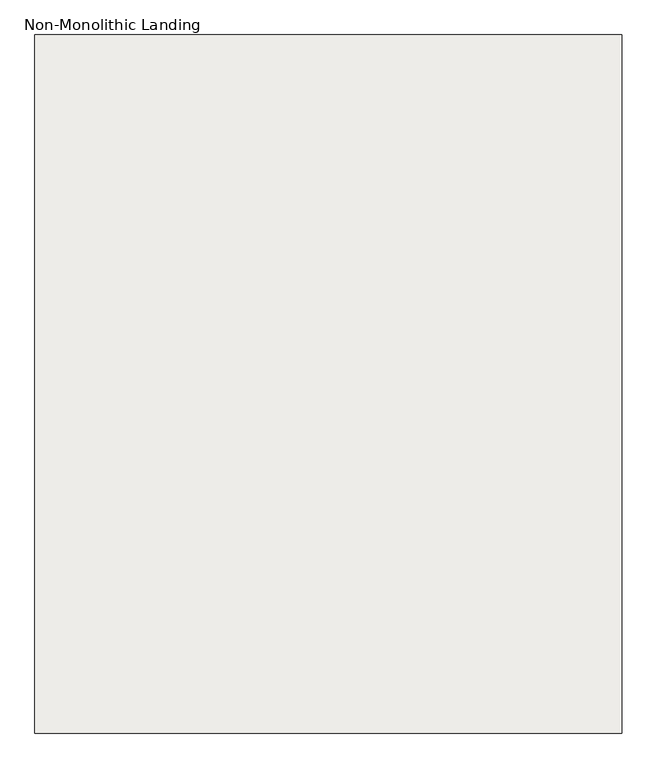
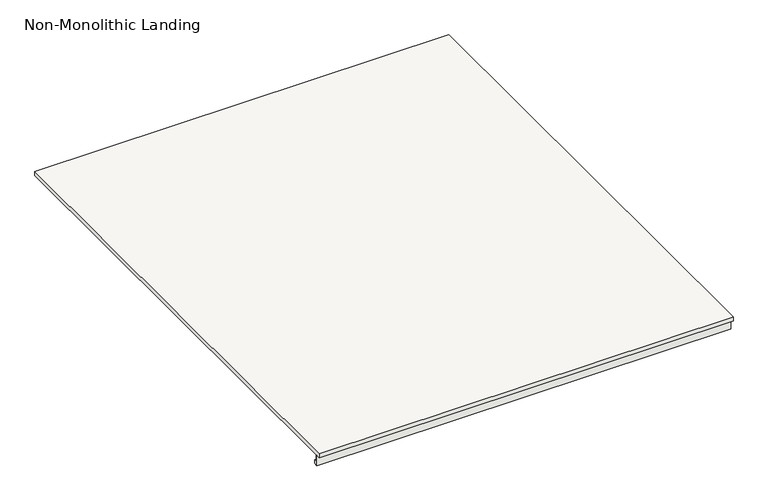
"""IFC4 building model written with IfcOpenShell, lengths in millimetres: slab geometry, Non-Monolithic Landing."""

from ifc_helpers import new_model, si_unit, frame, origin, place, context, project, spatial, polyline, outline, extrude, source, transform, mapped, element, save


def non_monolithic_landing_95f6ad61(model_context):
    return source(origin(), model_context, "Body", "SweptSolid", [
        extrude(outline(polyline([(-1038.9832568, 5638.0), (-1038.9832568, 5628.0), (-2215.6889024, 5628.0), (-2215.6889024, 5611.3650264), (-2209.7889347, 5611.3780294), (-2209.7889347, 5602.1193807), (-2218.9832568, 5602.1193807), (-2218.9832568, 5628.0), (-2228.9832568, 5628.0), (-2228.9832568, 5638.0), (-1038.9832568, 5638.0)])), frame((-16322.7515248, 0.0, 0.0), z_axis=(1.0, 0.0, 0.0), x_axis=(0.0, 1.0, 0.0)), (0.0, 0.0, 1.0), 1000.0),
    ])


if __name__ == "__main__":
    model = new_model("IFC4")
    model_context = context("Model", 3, world=origin())
    ifc_project = project(units=[si_unit("LENGTHUNIT", "METRE", prefix="MILLI")], contexts=[model_context])
    site = spatial("IfcSite", under=ifc_project)
    building = spatial("IfcBuilding", under=site)
    placement = place(None, origin())
    non_monolithic_landing_shape = non_monolithic_landing_95f6ad61(model_context)
    element("IfcSlab", 1, ObjectType="Non-Monolithic Landing", at=placement, inside=building, context=model_context, shape_type="MappedRepresentation", body=[
        mapped(non_monolithic_landing_shape, transform((0.0, 0.0, 0.0), x_axis=(1.0, 0.0, 0.0), y_axis=(0.0, 1.0, 0.0), z_axis=(0.0, 0.0, 1.0))),
    ])
    save(model, "model.ifc")
